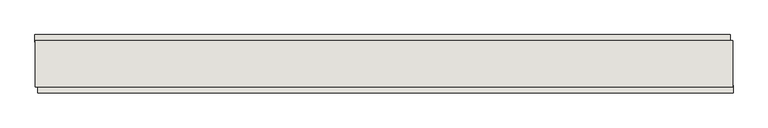
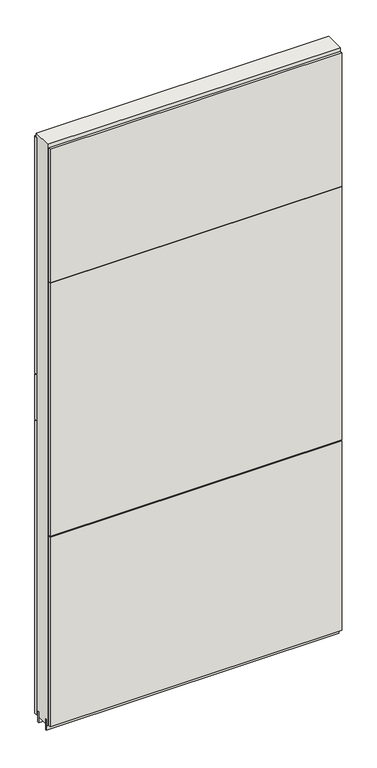
"""IFC4 building model written with IfcOpenShell, lengths in millimetres: wall geometry."""

from ifc_helpers import new_model, si_unit, frame, origin, place, context, project, spatial, polyline, outline, extrude, source, transform, mapped, element, save


def wall_9fff243a(model_context):
    return source(origin(), model_context, "Body", "SweptSolid", [
        extrude(outline(polyline([(80474.9130148, -50694.7400632), (80472.3730148, -50694.7400632), (80472.3730148, -50692.2000632), (80474.9130148, -50692.2000632), (80474.9130148, -50694.7400632)])), frame((0.0, 0.0, 4419.6), z_axis=(0.0, 0.0, 1.0), x_axis=(1.0, 0.0, 0.0)), (0.0, 0.0, 1.0), 2.54),
        extrude(outline(polyline([(79255.2585834, -50642.567752), (80470.4585914, -50642.567752), (80470.4585914, -50655.267752), (79255.2585834, -50655.267752), (79255.2585834, -50642.567752)])), frame((0.0, 0.0, 5945.6000722), z_axis=(0.0, 0.0, 1.0), x_axis=(1.0, 0.0, 0.0)), (0.0, 0.0, 1.0), 1044.449905),
        extrude(outline(polyline([(79255.2585834, -50642.567752), (80470.4585914, -50642.567752), (80470.4585914, -50655.267752), (79255.2585834, -50655.267752), (79255.2585834, -50642.567752)])), frame((0.0, 0.0, 5742.3999706), z_axis=(0.0, 0.0, 1.0), x_axis=(1.0, 0.0, 0.0)), (0.0, 0.0, 1.0), 199.2000512),
        extrude(outline(polyline([(79255.2585834, -50642.567752), (80470.4585914, -50642.567752), (80470.4585914, -50655.267752), (79255.2585834, -50655.267752), (79255.2585834, -50642.567752)])), frame((0.0, 0.0, 4445.0), z_axis=(0.0, 0.0, 1.0), x_axis=(1.0, 0.0, 0.0)), (0.0, 0.0, 1.0), 1293.400004),
        extrude(outline(polyline([(80475.3699354, -50744.1646532), (79260.1699274, -50744.1646532), (79260.1699274, -50731.4646532), (80475.3699354, -50731.4646532), (80475.3699354, -50744.1646532)])), frame((0.0, 0.0, 6402.8000722), z_axis=(0.0, 0.0, 1.0), x_axis=(1.0, 0.0, 0.0)), (0.0, 0.0, 1.0), 587.2498034),
        extrude(outline(polyline([(80475.3699354, -50744.1646532), (79260.1699274, -50744.1646532), (79260.1699274, -50731.4646532), (80475.3699354, -50731.4646532), (80475.3699354, -50744.1646532)])), frame((0.0, 0.0, 5285.2000722), z_axis=(0.0, 0.0, 1.0), x_axis=(1.0, 0.0, 0.0)), (0.0, 0.0, 1.0), 1113.5999572),
        extrude(outline(polyline([(80475.3699354, -50744.1646532), (79260.1699274, -50744.1646532), (79260.1699274, -50731.4646532), (80475.3699354, -50731.4646532), (80475.3699354, -50744.1646532)])), frame((0.0, 0.0, 4445.0), z_axis=(0.0, 0.0, 1.0), x_axis=(1.0, 0.0, 0.0)), (0.0, 0.0, 1.0), 836.200004),
        extrude(outline(polyline([(80474.920457, -50668.3770222), (79255.720457, -50668.1754986), (79255.720457, -50663.093619), (80474.920457, -50663.2982668), (80474.920457, -50668.3770222)])), frame((0.0, 0.0, 4418.6602), z_axis=(0.0, 0.0, 1.0), x_axis=(1.0, 0.0, 0.0)), (0.0, 0.0, 1.0), 47.625),
        extrude(outline(polyline([(80474.920457, -50668.3770222), (79255.720457, -50668.1754986), (79255.720457, -50663.093619), (80474.920457, -50663.2982668), (80474.920457, -50668.3770222)])), frame((0.0, 0.0, 4418.6602), z_axis=(0.0, 0.0, 1.0), x_axis=(1.0, 0.0, 0.0)), (0.0, 0.0, 1.0), 47.625),
        extrude(outline(polyline([(79255.6956666, -50718.3398636), (80474.8956666, -50718.5414126), (80474.8956666, -50723.6232668), (79255.6956666, -50723.418619), (79255.6956666, -50718.3398636)])), frame((0.0, 0.0, 4418.6602), z_axis=(0.0, 0.0, 1.0), x_axis=(1.0, 0.0, 0.0)), (0.0, 0.0, 1.0), 47.625),
        extrude(outline(polyline([(79255.6956666, -50718.3398636), (80474.8956666, -50718.5414126), (80474.8956666, -50723.6232668), (79255.6956666, -50723.418619), (79255.6956666, -50718.3398636)])), frame((0.0, 0.0, 4418.6602), z_axis=(0.0, 0.0, 1.0), x_axis=(1.0, 0.0, 0.0)), (0.0, 0.0, 1.0), 47.625),
        extrude(outline(polyline([(80474.920457, -50652.833797), (80474.8956666, -50734.1125524), (79255.6956666, -50733.9079046), (79255.720457, -50652.6291492), (80474.920457, -50652.833797)])), frame((0.0, 0.0, 4445.0), z_axis=(0.0, 0.0, 1.0), x_axis=(1.0, 0.0, 0.0)), (0.0, 0.0, 1.0), 2562.4536762),
    ])


if __name__ == "__main__":
    model = new_model("IFC4")
    model_context = context("Model", 3, world=origin())
    ifc_project = project(units=[si_unit("LENGTHUNIT", "METRE", prefix="MILLI")], contexts=[model_context])
    site = spatial("IfcSite", under=ifc_project)
    building = spatial("IfcBuilding", under=site)
    placement = place(None, origin())
    wall_shape = wall_9fff243a(model_context)
    element("IfcWall", 1, at=placement, inside=building, context=model_context, shape_type="MappedRepresentation", body=[
        mapped(wall_shape, transform((0.0, 0.0, 0.0), x_axis=(1.0, 0.0, 0.0), y_axis=(0.0, 1.0, 0.0), z_axis=(0.0, 0.0, 1.0))),
    ])
    save(model, "model.ifc")
